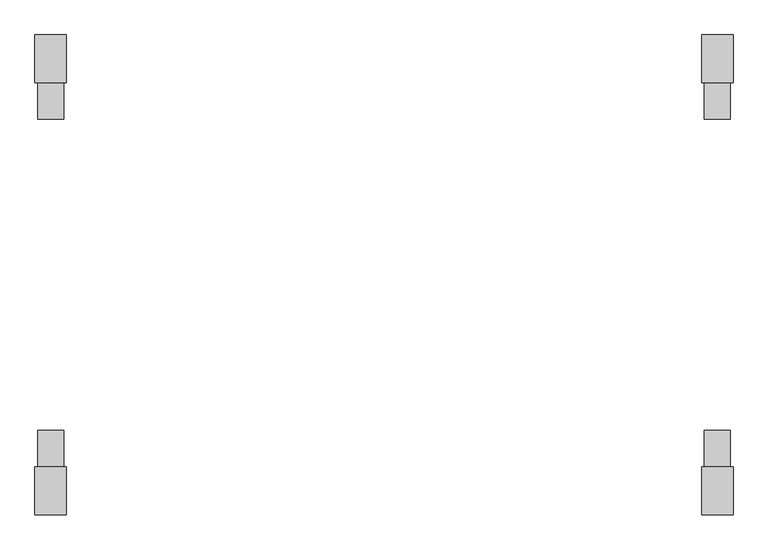
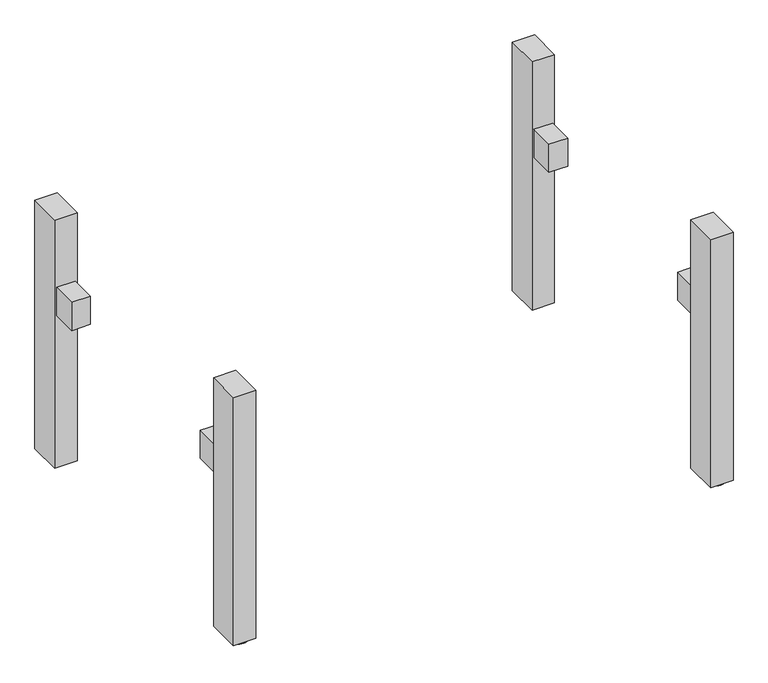
"""IFC4 building model written with IfcOpenShell, lengths in millimetres: furniture geometry."""

from ifc_helpers import new_model, si_unit, point, frame, frame_2d, origin, origin_with_axes, place, context, project, spatial, polyline, circle_curve, trimmed, segment, composite_curve, outline, extrude, source, transform, mapped, element, save


def furniture_897fa705(model_context):
    return source(origin(), model_context, "Body", "SweptSolid", [
        extrude(outline(polyline([(-665.0, 369.0), (-615.0, 369.0), (-615.0, 299.0), (-665.0, 299.0), (-665.0, 369.0)])), frame((0.0, 0.0, 437.5), z_axis=(0.0, 0.0, 1.0), x_axis=(1.0, 0.0, 0.0)), (0.0, 0.0, 1.0), 80.0),
        extrude(outline(polyline([(615.0, 369.0), (665.0, 369.0), (665.0, 299.0), (615.0, 299.0), (615.0, 369.0)])), frame((0.0, 0.0, 437.5), z_axis=(0.0, 0.0, 1.0), x_axis=(1.0, 0.0, 0.0)), (0.0, 0.0, 1.0), 80.0),
        extrude(outline(polyline([(-615.0, -369.0), (-665.0, -369.0), (-665.0, -299.0), (-615.0, -299.0), (-615.0, -369.0)])), frame((0.0, 0.0, 437.5), z_axis=(0.0, 0.0, 1.0), x_axis=(1.0, 0.0, 0.0)), (0.0, 0.0, 1.0), 80.0),
        extrude(outline(polyline([(665.0, -369.0), (615.0, -369.0), (615.0, -299.0), (665.0, -299.0), (665.0, -369.0)])), frame((0.0, 0.0, 437.5), z_axis=(0.0, 0.0, 1.0), x_axis=(1.0, 0.0, 0.0)), (0.0, 0.0, 1.0), 80.0),
        extrude(outline(composite_curve([segment(trimmed(circle_curve(frame_2d((-639.9999984, 431.0)), 25.0), [point((-664.9999984, 431.0))], [point((-614.9999984, 431.0))], False, "CARTESIAN"), True, "CONTINUOUS"), segment(trimmed(circle_curve(frame_2d((-639.9999984, 431.0)), 25.0), [point((-614.9999984, 431.0))], [point((-664.9999984, 431.0))], False, "CARTESIAN"), True, "CONTINUOUS")], self_intersect=False)), origin_with_axes(), (0.0, 0.0, 1.0), 6.0),
        extrude(outline(composite_curve([segment(trimmed(circle_curve(frame_2d((639.9999984, 431.0)), 25.0), [point((614.9999984, 431.0))], [point((664.9999984, 431.0))], False, "CARTESIAN"), True, "CONTINUOUS"), segment(trimmed(circle_curve(frame_2d((639.9999984, 431.0)), 25.0), [point((664.9999984, 431.0))], [point((614.9999984, 431.0))], False, "CARTESIAN"), True, "CONTINUOUS")], self_intersect=False)), origin_with_axes(), (0.0, 0.0, 1.0), 6.0),
        extrude(outline(composite_curve([segment(trimmed(circle_curve(frame_2d((-639.9999984, -431.0)), 25.0), [point((-664.9999984, -431.0))], [point((-614.9999984, -431.0))], False, "CARTESIAN"), True, "CONTINUOUS"), segment(trimmed(circle_curve(frame_2d((-639.9999984, -431.0)), 25.0), [point((-614.9999984, -431.0))], [point((-664.9999984, -431.0))], False, "CARTESIAN"), True, "CONTINUOUS")], self_intersect=False)), origin_with_axes(), (0.0, 0.0, 1.0), 6.0),
        extrude(outline(composite_curve([segment(trimmed(circle_curve(frame_2d((639.9999984, -431.0)), 25.0), [point((614.9999984, -431.0))], [point((664.9999984, -431.0))], False, "CARTESIAN"), True, "CONTINUOUS"), segment(trimmed(circle_curve(frame_2d((639.9999984, -431.0)), 25.0), [point((664.9999984, -431.0))], [point((614.9999984, -431.0))], False, "CARTESIAN"), True, "CONTINUOUS")], self_intersect=False)), origin_with_axes(), (0.0, 0.0, 1.0), 6.0),
        extrude(outline(polyline([(-609.9999968, -461.0), (-670.0, -461.0), (-670.0, -369.0), (-609.9999968, -369.0), (-609.9999968, -461.0)])), frame((0.0, 0.0, 6.0), z_axis=(0.0, 0.0, 1.0), x_axis=(1.0, 0.0, 0.0)), (0.0, 0.0, 1.0), 704.0),
        extrude(outline(polyline([(609.9999968, -461.0), (609.9999968, -369.0), (670.0, -369.0), (670.0, -461.0), (609.9999968, -461.0)])), frame((0.0, 0.0, 6.0), z_axis=(0.0, 0.0, 1.0), x_axis=(1.0, 0.0, 0.0)), (0.0, 0.0, 1.0), 704.0),
        extrude(outline(polyline([(-609.9999968, 461.0), (-609.9999968, 369.0), (-670.0, 369.0), (-670.0, 461.0), (-609.9999968, 461.0)])), frame((0.0, 0.0, 6.0), z_axis=(0.0, 0.0, 1.0), x_axis=(1.0, 0.0, 0.0)), (0.0, 0.0, 1.0), 704.0),
        extrude(outline(polyline([(609.9999968, 461.0), (670.0, 461.0), (670.0, 369.0), (609.9999968, 369.0), (609.9999968, 461.0)])), frame((0.0, 0.0, 6.0), z_axis=(0.0, 0.0, 1.0), x_axis=(1.0, 0.0, 0.0)), (0.0, 0.0, 1.0), 704.0),
    ])


if __name__ == "__main__":
    model = new_model("IFC4")
    model_context = context("Model", 3, world=origin())
    ifc_project = project(units=[si_unit("LENGTHUNIT", "METRE", prefix="MILLI")], contexts=[model_context])
    site = spatial("IfcSite", under=ifc_project)
    building = spatial("IfcBuilding", under=site)
    placement = place(None, origin())
    furniture_shape = furniture_897fa705(model_context)
    element("IfcFurniture", 1, at=placement, inside=building, context=model_context, shape_type="MappedRepresentation", body=[
        mapped(furniture_shape, transform((0.0, 0.0, 0.0), x_axis=(1.0, 0.0, 0.0), y_axis=(0.0, 1.0, 0.0), z_axis=(0.0, 0.0, 1.0))),
    ])
    save(model, "model.ifc")
